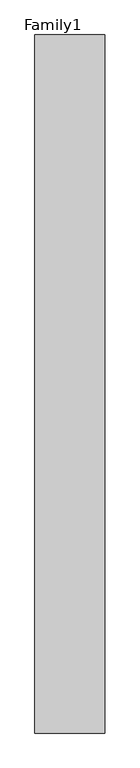
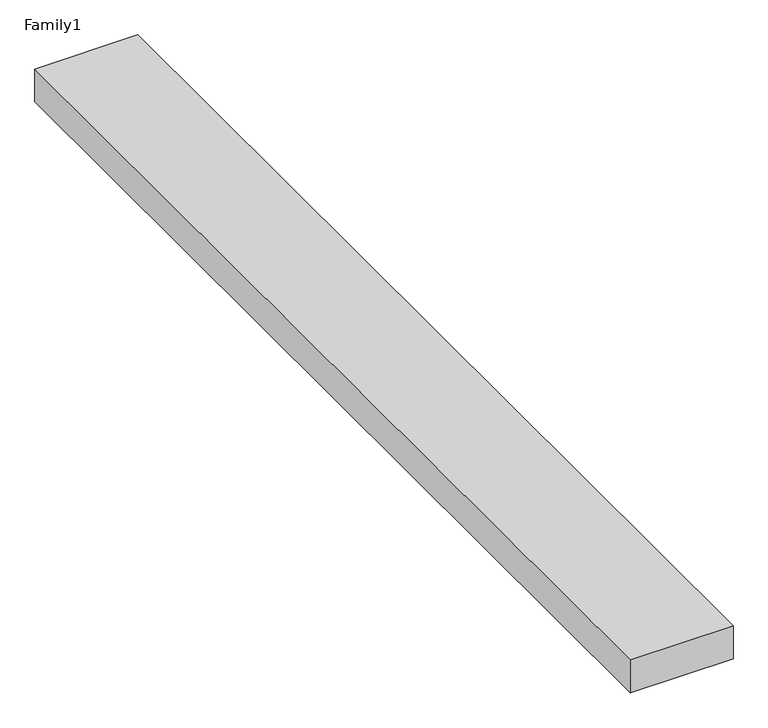
"""IFC4 building model written with IfcOpenShell, lengths in millimetres: proxy geometry, Family1."""

import ifcopenshell
import ifcopenshell.guid

model = None  # the IFC model being written
_history = None  # IfcOwnerHistory: only IFC2X3 demands one
_inside = {}  # id of a spatial element -> (the spatial element, [elements in it])
_under = {}  # id of a project, library or spatial element -> (it, [spatial elements below it])
_declared = {}  # id of a project -> (the project, [libraries it declares])
_typed = {}  # id of a type object -> (the type object, [elements of that type])
_made_of = {}  # id of a material, layer set ... -> (it, [elements and type objects made of it])


def new_model(schema):
    """Start an empty IFC model of exactly this schema.

    Asked for "IFC4X3", IfcOpenShell would pick the latest addendum, in which some entities
    have other attributes; the version numbers below select the first issue.
    IFC2X3 requires an IfcOwnerHistory on every rooted entity: one is made here for all.
    """
    global model, _history
    if schema == "IFC4X3":
        model = ifcopenshell.file(schema_version=(4, 3, 0, 0))
    else:
        model = ifcopenshell.file(schema=schema)
    _inside.clear()
    _under.clear()
    _declared.clear()
    _typed.clear()
    _made_of.clear()
    _history = None
    if model.schema == "IFC2X3":
        org = make("IfcOrganization", Name="unknown")
        user = make(
            "IfcPersonAndOrganization",
            ThePerson=make("IfcPerson", FamilyName="unknown"),
            TheOrganization=org,
        )
        app = make(
            "IfcApplication",
            ApplicationDeveloper=org,
            Version="unknown",
            ApplicationFullName="unknown",
            ApplicationIdentifier="unknown",
        )
        _history = make(
            "IfcOwnerHistory",
            OwningUser=user,
            OwningApplication=app,
            ChangeAction="ADDED",
            CreationDate=0,
        )
    return model


def make(cls, **values):
    """One entity of the class cls with the attributes given. An attribute that is None is left unset."""
    return model.create_entity(
        cls, **{name: value for name, value in values.items() if value is not None}
    )


def rooted(cls, **values):
    """An entity with a GlobalId (a new one), such as an element, a storey or a relation."""
    return make(cls, GlobalId=ifcopenshell.guid.new(), OwnerHistory=_history, **values)


def si_unit(unit_type, name, prefix=None):
    """IfcSIUnit, for example si_unit("LENGTHUNIT", "METRE", prefix="MILLI")."""
    return make("IfcSIUnit", UnitType=unit_type, Prefix=prefix, Name=name)


def assignment(units):
    """IfcUnitAssignment: the units of a project."""
    return None if units is None else make("IfcUnitAssignment", Units=units)


def point(xyz):
    """IfcCartesianPoint."""
    return None if xyz is None else make("IfcCartesianPoint", Coordinates=xyz)


def direction(xyz):
    """IfcDirection."""
    return None if xyz is None else make("IfcDirection", DirectionRatios=xyz)


def frame(location, z_axis=None, x_axis=None):
    """IfcAxis2Placement3D, a coordinate frame: its origin and axes. An axis left out is left unset."""
    return make(
        "IfcAxis2Placement3D",
        Location=point(location),
        Axis=direction(z_axis),
        RefDirection=direction(x_axis),
    )


def origin():
    """The frame at (0, 0, 0) with its axes left unset."""
    return frame((0.0, 0.0, 0.0))


def origin_with_axes():
    """The frame at (0, 0, 0) with the z axis (0, 0, 1) and the x axis (1, 0, 0) written out."""
    return frame((0.0, 0.0, 0.0), z_axis=(0.0, 0.0, 1.0), x_axis=(1.0, 0.0, 0.0))


def place(relative_to, where):
    """IfcLocalPlacement: puts the frame where relative to a parent placement (None: the world)."""
    return make(
        "IfcLocalPlacement", PlacementRelTo=relative_to, RelativePlacement=where
    )


def context(
    kind, dimensions, precision=None, world=None, true_north=None, identifier=None
):
    """IfcGeometricRepresentationContext, for example the 3D "Model" context."""
    return make(
        "IfcGeometricRepresentationContext",
        ContextIdentifier=identifier,
        ContextType=kind,
        CoordinateSpaceDimension=dimensions,
        Precision=precision,
        WorldCoordinateSystem=world,
        TrueNorth=true_north,
    )


def project(units=None, contexts=None):
    """IfcProject with its units and contexts."""
    return rooted(
        "IfcProject",
        Name="project",
        RepresentationContexts=contexts,
        UnitsInContext=assignment(units),
    )


def spatial(cls, under=None, at=None, **own):
    """A site, building, storey or space (cls), placed at a placement, below another one or the project."""
    s = rooted(cls, ObjectPlacement=at, **own)
    if under is not None:
        _under.setdefault(under.id(), (under, []))[1].append(s)
    return s


def polyline(points):
    """IfcPolyline through the points."""
    return make("IfcPolyline", Points=[point(p) for p in points])


def outline(outer, holes=None, kind="AREA"):
    """IfcArbitraryClosedProfileDef: a profile drawn as a closed curve; with holes, ...WithVoids."""
    if holes is None:
        return make("IfcArbitraryClosedProfileDef", ProfileType=kind, OuterCurve=outer)
    return make(
        "IfcArbitraryProfileDefWithVoids",
        ProfileType=kind,
        OuterCurve=outer,
        InnerCurves=holes,
    )


def extrude(swept, where, along, depth):
    """IfcExtrudedAreaSolid: the profile swept, set in the frame where, extruded along a direction by depth."""
    return make(
        "IfcExtrudedAreaSolid",
        SweptArea=swept,
        Position=where,
        ExtrudedDirection=direction(along),
        Depth=depth,
    )


def shape(context_of_items, identifier, shape_type, items):
    """IfcShapeRepresentation: the items that make up one representation, for example the "Body"."""
    return make(
        "IfcShapeRepresentation",
        ContextOfItems=context_of_items,
        RepresentationIdentifier=identifier,
        RepresentationType=shape_type,
        Items=items,
    )


def source(mapping_origin, context_of_items, identifier, shape_type, items):
    """IfcRepresentationMap: a shape defined once, which mapped items show again and again."""
    return make(
        "IfcRepresentationMap",
        MappingOrigin=mapping_origin,
        MappedRepresentation=shape(context_of_items, identifier, shape_type, items),
    )


def transform(
    local_origin,
    x_axis=None,
    y_axis=None,
    z_axis=None,
    scale=None,
    scale2=None,
    scale3=None,
    uniform=True,
):
    """IfcCartesianTransformationOperator3D, or its non-uniform kind. x_axis, y_axis, z_axis: its Axis1, 2, 3."""
    if uniform:
        return make(
            "IfcCartesianTransformationOperator3D",
            Axis1=direction(x_axis),
            Axis2=direction(y_axis),
            LocalOrigin=point(local_origin),
            Scale=scale,
            Axis3=direction(z_axis),
        )
    return make(
        "IfcCartesianTransformationOperator3DnonUniform",
        Axis1=direction(x_axis),
        Axis2=direction(y_axis),
        LocalOrigin=point(local_origin),
        Scale=scale,
        Axis3=direction(z_axis),
        Scale2=scale2,
        Scale3=scale3,
    )


def mapped(mapping_source, mapping_target):
    """IfcMappedItem: shows the shape of a source again, moved by a transform."""
    return make(
        "IfcMappedItem", MappingSource=mapping_source, MappingTarget=mapping_target
    )


def made_of(thing, what):
    """Note that an element or type object is made of a material, layer set ...; save() writes the relation."""
    if what is not None:
        _made_of.setdefault(what.id(), (what, []))[1].append(thing)
    return thing


def element(
    cls,
    number,
    at=None,
    inside=None,
    cuts=None,
    type_object=None,
    material=None,
    context=None,
    identifier="Body",
    shape_type=None,
    held_by="IfcProductDefinitionShape",
    body=None,
    shapes=None,
    **own,
):
    """One element of the class cls, such as IfcWall. Its Tag is "e" and its number.

    at: its placement. inside: the storey or other place that contains it. cuts: it is an
    opening in that element (IfcRelVoidsElement). A single representation is given by context,
    identifier, shape_type and body (its items); several are given by shapes. held_by: the class
    of the entity that holds the representations. save() writes the other relations.
    """
    e = rooted(cls, Tag="e%d" % number, ObjectPlacement=at, **own)
    if body is not None:
        shapes = [shape(context, identifier, shape_type, body)]
    if shapes is not None:
        e.Representation = make(held_by, Representations=shapes)
    if inside is not None:
        _inside.setdefault(inside.id(), (inside, []))[1].append(e)
    if cuts is not None:
        rooted(
            "IfcRelVoidsElement", RelatingBuildingElement=cuts, RelatedOpeningElement=e
        )
    if type_object is not None:
        _typed.setdefault(type_object.id(), (type_object, []))[1].append(e)
    return made_of(e, material)


def aggregate(whole, parts):
    """IfcRelAggregates: a whole, such as a stair, and the parts it consists of."""
    return rooted("IfcRelAggregates", RelatingObject=whole, RelatedObjects=parts)


def save(model, path):
    """Write the relations noted so far, then the file.

    IfcRelAggregates (storeys below a building ...), IfcRelContainedInSpatialStructure (elements
    in a storey), IfcRelDefinesByType, IfcRelAssociatesMaterial and IfcRelDeclares: one each for
    every whole, place, type object, material and project.
    """
    for whole, parts in _under.values():
        aggregate(whole, parts)
    for where, things in _inside.values():
        rooted(
            "IfcRelContainedInSpatialStructure",
            RelatedElements=things,
            RelatingStructure=where,
        )
    for kind, things in _typed.values():
        rooted("IfcRelDefinesByType", RelatedObjects=things, RelatingType=kind)
    for what, things in _made_of.values():
        rooted("IfcRelAssociatesMaterial", RelatedObjects=things, RelatingMaterial=what)
    for by, libraries in _declared.values():
        rooted("IfcRelDeclares", RelatingContext=by, RelatedDefinitions=libraries)
    model.write(path)


def family1_77b12fa4(model_context):
    return source(origin(), model_context, "Body", "SweptSolid", [
        extrude(outline(polyline([(5000.0, 0.0), (0.0, 0.0), (0.0, 50000.0), (5000.0, 50000.0), (5000.0, 0.0)])), origin_with_axes(), (0.0, 0.0, 1.0), 1687.0),
    ])


if __name__ == "__main__":
    model = new_model("IFC4")
    model_context = context("Model", 3, world=origin())
    ifc_project = project(units=[si_unit("LENGTHUNIT", "METRE", prefix="MILLI")], contexts=[model_context])
    site = spatial("IfcSite", under=ifc_project)
    building = spatial("IfcBuilding", under=site)
    placement = place(None, origin())
    family1_shape = family1_77b12fa4(model_context)
    element("IfcBuildingElementProxy", 1, Name="Family1", ObjectType="Family1", at=placement, inside=building, context=model_context, shape_type="MappedRepresentation", body=[
        mapped(family1_shape, transform((0.0, 0.0, 0.0), x_axis=(1.0, 0.0, 0.0), y_axis=(0.0, 1.0, 0.0), z_axis=(0.0, 0.0, 1.0))),
    ])
    save(model, "model.ifc")
